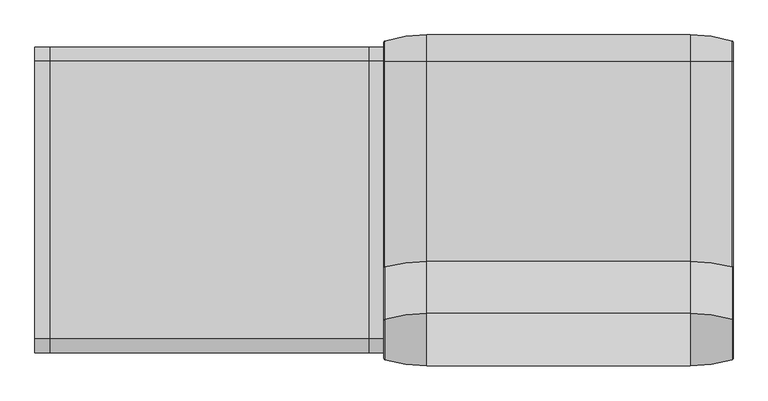
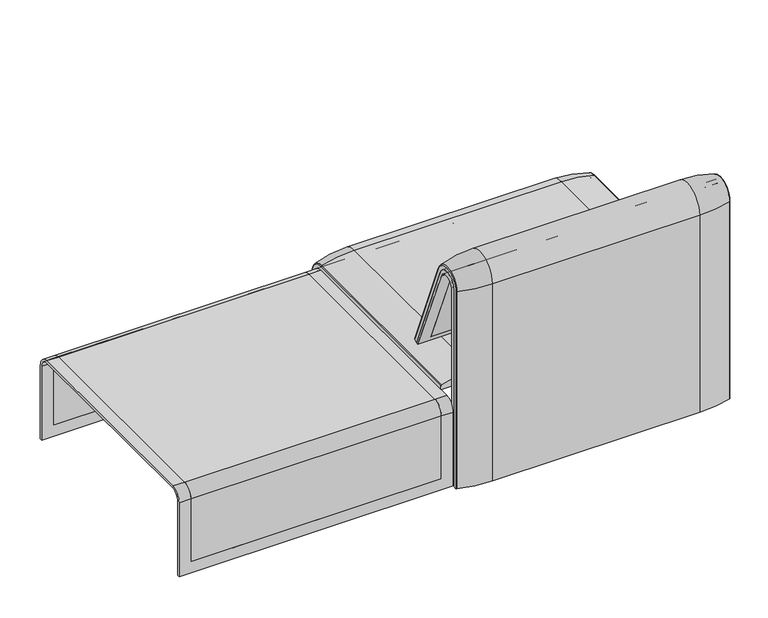
"""IFC4 building model written with IfcOpenShell, lengths in millimetres: furniture geometry."""

from ifc_helpers import new_model, si_unit, point, frame, frame_2d, origin, place, context, project, spatial, polyline, circle_curve, ellipse_curve, trimmed, segment, composite_curve, outline, extrude, source, transform, mapped, element, save
from ifc_brep_helpers import plane_surface, cylinder_surface, revolved_surface, advanced_brep


def furniture_b521a443(model_context):
    return source(origin(), model_context, "Body", "SolidModel", [
        advanced_brep(
        [(-407.9906244, 368.7793679, 100.5089435), (-405.8519959, 371.6530483, 100.5089435), (-307.9906244, 386.0043559, 100.5089435), (307.9906244, 386.0043559, 100.5089435), (405.8519959, 371.6530483, 100.5089435), (407.9906244, 368.7793679, 100.5089435), (407.9906244, 357.5, 100.5089435), (-407.9906244, 357.5, 100.5089435), (-407.9906244, -295.0, 377.4518019), (-407.9906244, -295.0, 366.172434), (407.9906244, -295.0, 366.172434), (407.9906244, -295.0, 377.4518019), (405.8519959, -295.0, 380.3254823), (307.9906244, -295.0, 394.67679), (-307.9906244, -295.0, 394.67679), (-405.8519959, -295.0, 380.3254823), (-407.9906244, 357.5, 333.0583003), (-407.9906244, 324.3858663, 366.172434), (-407.9906244, 324.3858663, 377.4518019), (-407.9906244, 368.7793679, 333.0583003), (407.9906244, 357.5, 333.0583003), (-307.9906244, 386.0043559, 333.0583003), (307.9906244, 386.0043559, 333.0583003), (-405.8519959, 371.6530483, 333.0583003), (407.9906244, 324.3858663, 366.172434), (-307.9906244, 324.3858663, 394.67679), (307.9906244, 324.3858663, 394.67679), (-405.8519959, 324.3858663, 380.3254823), (407.9906244, 368.7793679, 333.0583003), (407.9906244, 324.3858663, 377.4518019), (405.8519959, 371.6530483, 333.0583003), (405.8519959, 324.3858663, 380.3254823)],
        [
            (0, 1, circle_curve(frame((-404.9906244, 368.7793679, 100.5089435), z_axis=(0.0, 0.0, -1.0), x_axis=(1.0, 0.0, 0.0)), 3.0)),
            (1, 2, circle_curve(frame((-307.9906244, 45.1710226, 100.5089435), z_axis=(0.0, 0.0, -1.0), x_axis=(0.0, -1.0, 0.0)), 340.8333333)),
            (2, 3),
            (3, 4, circle_curve(frame((307.9906244, 45.1710226, 100.5089435), z_axis=(0.0, 0.0, -1.0), x_axis=(0.0, -1.0, 0.0)), 340.8333333)),
            (4, 5, circle_curve(frame((404.9906244, 368.7793679, 100.5089435), z_axis=(0.0, 0.0, -1.0), x_axis=(-1.0, 0.0, 0.0)), 3.0)),
            (5, 6),
            (6, 7),
            (7, 0),
            (8, 9),
            (9, 10),
            (10, 11),
            (11, 12, circle_curve(frame((404.9906244, -295.0, 377.4518019), z_axis=(0.0, -1.0, 0.0), x_axis=(-1.0, 0.0, 0.0)), 3.0)),
            (12, 13, circle_curve(frame((307.9906244, -295.0, 53.8434566), z_axis=(0.0, -1.0, 0.0), x_axis=(0.0, 0.0, -1.0)), 340.8333333)),
            (13, 14),
            (14, 15, circle_curve(frame((-307.9906244, -295.0, 53.8434566), z_axis=(0.0, -1.0, 0.0), x_axis=(0.0, 0.0, -1.0)), 340.8333333)),
            (15, 8, circle_curve(frame((-404.9906244, -295.0, 377.4518019), z_axis=(0.0, -1.0, 0.0), x_axis=(1.0, 0.0, 0.0)), 3.0)),
            (7, 16),
            (16, 17, circle_curve(frame((-407.9906244, 324.3858663, 333.0583003), z_axis=(1.0, 0.0, 0.0), x_axis=(0.0, 1.0, 0.0)), 33.1141337)),
            (17, 9),
            (8, 18),
            (18, 19, circle_curve(frame((-407.9906244, 324.3858663, 333.0583003), z_axis=(-1.0, 0.0, 0.0), x_axis=(0.0, 1.0, 0.0)), 44.3935016)),
            (19, 0),
            (6, 20),
            (20, 16),
            (2, 21),
            (21, 22),
            (22, 3),
            (1, 23),
            (23, 21, circle_curve(frame((-307.9906244, 45.1710226, 333.0583003), z_axis=(0.0, 0.0, -1.0), x_axis=(0.0, -1.0, 0.0)), 340.8333333)),
            (19, 23, circle_curve(frame((-404.9906244, 368.7793679, 333.0583003), z_axis=(0.0, 0.0, -1.0), x_axis=(1.0, 0.0, 0.0)), 3.0)),
            (24, 17),
            (20, 24, circle_curve(frame((407.9906244, 324.3858663, 333.0583003), z_axis=(1.0, 0.0, 0.0), x_axis=(0.0, 1.0, 0.0)), 33.1141337)),
            (25, 26),
            (26, 22, circle_curve(frame((307.9906244, 324.3858663, 333.0583003), z_axis=(-1.0, 0.0, 0.0), x_axis=(0.0, 1.0, 0.0)), 61.6184897)),
            (21, 25, circle_curve(frame((-307.9906244, 324.3858663, 333.0583003), z_axis=(1.0, 0.0, 0.0), x_axis=(0.0, 1.0, 0.0)), 61.6184897)),
            (27, 25, circle_curve(frame((-307.9906244, 324.3858663, 53.8434566), z_axis=(0.0, 1.0, 0.0), x_axis=(0.0, 0.0, -1.0)), 340.8333333)),
            (23, 27, circle_curve(frame((-405.8519959, 324.3858663, 333.0583003), z_axis=(1.0, 0.0, 0.0), x_axis=(0.0, 1.0, 0.0)), 47.267182)),
            (18, 27, circle_curve(frame((-404.9906244, 324.3858663, 377.4518019), z_axis=(0.0, 1.0, 0.0), x_axis=(1.0, 0.0, 0.0)), 3.0)),
            (24, 10),
            (25, 14),
            (13, 26),
            (27, 15),
            (5, 28),
            (28, 29, circle_curve(frame((407.9906244, 324.3858663, 333.0583003), z_axis=(1.0, 0.0, 0.0), x_axis=(0.0, 1.0, 0.0)), 44.3935016)),
            (29, 11),
            (4, 30),
            (30, 28, circle_curve(frame((404.9906244, 368.7793679, 333.0583003), z_axis=(0.0, 0.0, -1.0), x_axis=(-1.0, 0.0, 0.0)), 3.0)),
            (22, 30, circle_curve(frame((307.9906244, 45.1710226, 333.0583003), z_axis=(0.0, 0.0, -1.0), x_axis=(0.0, -1.0, 0.0)), 340.8333333)),
            (31, 29, circle_curve(frame((404.9906244, 324.3858663, 377.4518019), z_axis=(0.0, 1.0, 0.0), x_axis=(-1.0, 0.0, 0.0)), 3.0)),
            (30, 31, circle_curve(frame((405.8519959, 324.3858663, 333.0583003), z_axis=(1.0, 0.0, 0.0), x_axis=(0.0, 1.0, 0.0)), 47.267182)),
            (26, 31, circle_curve(frame((307.9906244, 324.3858663, 53.8434566), z_axis=(0.0, 1.0, 0.0), x_axis=(0.0, 0.0, -1.0)), 340.8333333)),
            (31, 12),
        ],
        [
            plane_surface(frame((-407.9906244, 357.5, 100.5089435), z_axis=(0.0, 0.0, -1.0), x_axis=(1.0, 0.0, 0.0))),
            plane_surface(frame((-407.9906244, -295.0, 366.172434), z_axis=(0.0, -1.0, 0.0), x_axis=(1.0, 0.0, 0.0))),
            plane_surface(frame((-407.9906244, 368.7793679, 100.5089435), z_axis=(-1.0, 0.0, 0.0), x_axis=(0.0, 0.0, 1.0))),
            plane_surface(frame((-407.9906244, 357.5, 100.5089435), z_axis=(0.0, -1.0, 0.0), x_axis=(0.0, 0.0, 1.0))),
            plane_surface(frame((307.9906244, 386.0043559, 100.5089435), z_axis=(0.0, 1.0, 0.0), x_axis=(0.0, 0.0, 1.0))),
            cylinder_surface(frame((-307.9906244, 45.1710226, 100.5089435), z_axis=(0.0, 0.0, -1.0), x_axis=(0.0, -1.0, 0.0)), 340.8333333),
            cylinder_surface(frame((-404.9906244, 368.7793679, 100.5089435), z_axis=(0.0, 0.0, -1.0), x_axis=(1.0, 0.0, 0.0)), 3.0),
            revolved_surface(polyline([(-407.9906244, 357.5, 333.0583003), (407.9906244, 357.5, 333.0583003)]), (-407.9906244, 324.3858663, 333.0583003), (-1.0, 0.0, 0.0)),
            cylinder_surface(frame((-407.9906244, 324.3858663, 333.0583003), z_axis=(-1.0, 0.0, 0.0), x_axis=(0.0, 1.0, 0.0)), 61.6184897),
            revolved_surface(trimmed(ellipse_curve(frame((-307.9906244, 45.1710226, 333.0583003), z_axis=(0.0, 0.0, 1.0), x_axis=(0.0, -1.0, 0.0)), 340.8333333, 340.8333333), [point((-307.9906244, 386.0043559, 333.0583003))], [point((-405.8519959, 371.6530483, 333.0583003))], True, "CARTESIAN"), (-407.9906244, 324.3858663, 333.0583003), (-1.0, 0.0, 0.0)),
            revolved_surface(trimmed(ellipse_curve(frame((-404.9906244, 368.7793679, 333.0583003), z_axis=(0.0, 0.0, 1.0), x_axis=(1.0, 0.0, 0.0)), 3.0, 3.0), [point((-405.8519959, 371.6530483, 333.0583003))], [point((-407.9906244, 368.7793679, 333.0583003))], True, "CARTESIAN"), (-407.9906244, 324.3858663, 333.0583003), (-1.0, 0.0, 0.0)),
            plane_surface(frame((-407.9906244, 324.3858663, 366.172434), z_axis=(0.0, 0.0, -1.0), x_axis=(0.0, -1.0, 0.0))),
            plane_surface(frame((307.9906244, 324.3858663, 394.67679), z_axis=(0.0, 0.0, 1.0), x_axis=(0.0, -1.0, 0.0))),
            cylinder_surface(frame((-307.9906244, 324.3858663, 53.8434566), z_axis=(0.0, 1.0, 0.0), x_axis=(0.0, 0.0, -1.0)), 340.8333333),
            cylinder_surface(frame((-404.9906244, 324.3858663, 377.4518019), z_axis=(0.0, 1.0, 0.0), x_axis=(1.0, 0.0, 0.0)), 3.0),
            plane_surface(frame((407.9906244, 357.5, 100.5089435), z_axis=(1.0, 0.0, 0.0), x_axis=(0.0, 0.0, 1.0))),
            cylinder_surface(frame((404.9906244, 368.7793679, 100.5089435), z_axis=(0.0, 0.0, -1.0), x_axis=(-1.0, 0.0, 0.0)), 3.0),
            cylinder_surface(frame((307.9906244, 45.1710226, 100.5089435), z_axis=(0.0, 0.0, -1.0), x_axis=(0.0, -1.0, 0.0)), 340.8333333),
            revolved_surface(trimmed(ellipse_curve(frame((404.9906244, 368.7793679, 333.0583003), z_axis=(0.0, 0.0, 1.0), x_axis=(-1.0, 0.0, 0.0)), 3.0, 3.0), [point((407.9906244, 368.7793679, 333.0583003))], [point((405.8519959, 371.6530483, 333.0583003))], True, "CARTESIAN"), (-407.9906244, 324.3858663, 333.0583003), (-1.0, 0.0, 0.0)),
            revolved_surface(trimmed(ellipse_curve(frame((307.9906244, 45.1710226, 333.0583003), z_axis=(0.0, 0.0, 1.0), x_axis=(0.0, -1.0, 0.0)), 340.8333333, 340.8333333), [point((405.8519959, 371.6530483, 333.0583003))], [point((307.9906244, 386.0043559, 333.0583003))], True, "CARTESIAN"), (-407.9906244, 324.3858663, 333.0583003), (-1.0, 0.0, 0.0)),
            cylinder_surface(frame((404.9906244, 324.3858663, 377.4518019), z_axis=(0.0, 1.0, 0.0), x_axis=(-1.0, 0.0, 0.0)), 3.0),
            cylinder_surface(frame((307.9906244, 324.3858663, 53.8434566), z_axis=(0.0, 1.0, 0.0), x_axis=(0.0, 0.0, -1.0)), 340.8333333),
        ],
        [
            (0, [[1, 2, 3, 4, 5, 6, 7, 8]]),
            (1, [[9, 10, 11, 12, 13, 14, 15, 16]]),
            (2, [[17, 18, 19, -9, 20, 21, 22, -8]]),
            (3, [[23, 24, -17, -7]]),
            (4, [[25, 26, 27, -3]]),
            (5, [[28, 29, -25, -2]]),
            (6, [[-22, 30, -28, -1]]),
            (7, [[31, -18, -24, 32]]),
            (8, [[33, 34, -26, 35]]),
            (9, [[36, -35, -29, 37]]),
            (10, [[38, -37, -30, -21]]),
            (11, [[39, -10, -19, -31]]),
            (12, [[40, -14, 41, -33]]),
            (13, [[42, -15, -40, -36]]),
            (14, [[-20, -16, -42, -38]]),
            (15, [[43, 44, 45, -11, -39, -32, -23, -6]]),
            (16, [[46, 47, -43, -5]]),
            (17, [[-27, 48, -46, -4]]),
            (18, [[49, -44, -47, 50]]),
            (19, [[51, -50, -48, -34]]),
            (20, [[52, -12, -45, -49]]),
            (21, [[-41, -13, -52, -51]]),
        ],
    ),
        advanced_brep(
        [(408.0071685, -351.0000061, 101.8476716), (408.0071685, -351.0000061, 712.9272623), (408.0071685, -296.2720241, 723.9759107), (408.0071685, -175.0204081, 435.9866665), (408.0071685, -170.1966807, 437.98305), (408.0071685, -292.4403877, 733.7122262), (408.0071685, -359.7858817, 720.3417731), (408.0071685, -359.7858817, 101.8476716), (-407.9740803, -351.0000061, 101.8476716), (-407.9740803, -359.7858817, 101.8476716), (-407.9740803, -359.7858817, 720.3417731), (-407.9740803, -292.4403877, 733.7122262), (-407.9740803, -170.1966807, 437.98305), (-407.9740803, -175.0204081, 435.9866665), (-407.9740803, -296.2458652, 723.9869215), (-407.9740803, -351.0000061, 712.9272623), (-373.0906244, -292.4403877, 733.7122262), (-373.0906244, -176.0980387, 452.25948), (373.0906244, -176.0980387, 452.25948), (373.0906244, -292.4403877, 733.7122262), (373.0906244, -296.2458652, 723.9869215), (373.0906244, -181.0136548, 450.2250668), (-373.0906244, -181.0136548, 450.2250668), (-373.0906244, -296.2458652, 723.9869215), (-373.0906244, -351.0000061, 712.9272623), (-373.0906244, -351.0000061, 135.3766997), (373.0906244, -351.0000061, 135.3766997), (373.0906244, -351.0000061, 712.9272623), (373.0906244, -359.7858817, 720.3417731), (373.0906244, -359.7858817, 135.3766997), (-373.0906244, -359.7858817, 135.3766997), (-373.0906244, -359.7858817, 720.3417731)],
        [
            (0, 1),
            (1, 2, circle_curve(frame((408.0071685, -322.520748, 712.9272623), z_axis=(-1.0, 0.0, 0.0), x_axis=(0.0, 1.0, 0.0)), 28.479258)),
            (2, 3),
            (3, 4),
            (4, 5),
            (5, 6, circle_curve(frame((408.0071685, -324.7858817, 720.3417731), z_axis=(1.0, 0.0, 0.0), x_axis=(0.0, 1.0, 0.0)), 35.0)),
            (6, 7),
            (7, 0),
            (8, 9),
            (9, 10),
            (10, 11, circle_curve(frame((-407.9740803, -324.7858817, 720.3417731), z_axis=(-1.0, 0.0, 0.0), x_axis=(0.0, 1.0, 0.0)), 35.0)),
            (11, 12),
            (12, 13),
            (13, 14),
            (14, 15, circle_curve(frame((-407.9740803, -322.520748, 712.9272623), z_axis=(1.0, 0.0, 0.0), x_axis=(0.0, 1.0, 0.0)), 28.479258)),
            (15, 8),
            (4, 12),
            (11, 16),
            (16, 17),
            (17, 18),
            (18, 19),
            (19, 5),
            (3, 13),
            (2, 20),
            (20, 21),
            (21, 22),
            (22, 23),
            (23, 14),
            (0, 8),
            (15, 24),
            (24, 25),
            (25, 26),
            (26, 27),
            (27, 1),
            (7, 9),
            (6, 28),
            (28, 29),
            (29, 30),
            (30, 31),
            (31, 10),
            (19, 28, circle_curve(frame((373.0906244, -324.7858817, 720.3417731), z_axis=(1.0, 0.0, 0.0), x_axis=(0.0, 1.0, 0.0)), 35.0)),
            (31, 16, circle_curve(frame((-373.0906244, -324.7858817, 720.3417731), z_axis=(-1.0, 0.0, 0.0), x_axis=(0.0, 1.0, 0.0)), 35.0)),
            (27, 20, circle_curve(frame((373.0906244, -322.520748, 712.9272623), z_axis=(-1.0, 0.0, 0.0), x_axis=(0.0, 1.0, 0.0)), 28.479258)),
            (23, 24, circle_curve(frame((-373.0906244, -322.520748, 712.9272623), z_axis=(1.0, 0.0, 0.0), x_axis=(0.0, 1.0, 0.0)), 28.479258)),
            (26, 29),
            (18, 21),
            (22, 17),
            (30, 25),
        ],
        [
            plane_surface(frame((408.0071685, -359.7858817, 101.8476716), z_axis=(1.0, 0.0, 0.0), x_axis=(0.0, -1.0, 0.0))),
            plane_surface(frame((-407.9740803, -359.7858817, 101.8476716), z_axis=(-1.0, 0.0, 0.0), x_axis=(0.0, 1.0, 0.0))),
            plane_surface(frame((408.0071685, -292.4403877, 733.7122262), z_axis=(0.0, 0.9241569717933176, 0.3820129467515535), x_axis=(-1.0, 0.0, 0.0))),
            plane_surface(frame((408.0071685, -170.1966807, 437.98305), z_axis=(0.0, 0.38241039441983893, -0.9239925812687368), x_axis=(-1.0, 0.0, 0.0))),
            plane_surface(frame((408.0071685, -175.0204081, 435.9866665), z_axis=(0.0, -0.921678643444566, -0.3879542218073993), x_axis=(-1.0, 0.0, 0.0))),
            plane_surface(frame((408.0071685, -351.0000061, 712.9272623), z_axis=(0.0, 1.0, 0.0), x_axis=(-1.0, 0.0, 0.0))),
            plane_surface(frame((408.0071685, -351.0000061, 101.8476716), z_axis=(0.0, 0.0, -1.0), x_axis=(-1.0, 0.0, 0.0))),
            plane_surface(frame((408.0071685, -359.7858817, 101.8476716), z_axis=(0.0, -1.0, 0.0), x_axis=(-1.0, 0.0, 0.0))),
            cylinder_surface(frame((-407.9740803, -324.7858817, 720.3417731), z_axis=(1.0, 0.0, 0.0), x_axis=(0.0, 1.0, 0.0)), 35.0),
            revolved_surface(polyline([(373.09062439999997, -294.04149, 712.9272623), (408.0071685, -294.04149, 712.9272623)]), (-407.9740803, -322.520748, 712.9272623), (-1.0, 0.0, 0.0)),
            revolved_surface(polyline([(-407.9740803, -294.04149, 712.9272623), (-373.0906244, -294.04149, 712.9272623)]), (-407.9740803, -322.520748, 712.9272623), (-1.0, 0.0, 0.0)),
            plane_surface(frame((373.0906244, -359.7858817, 135.3766997), z_axis=(-1.0, 0.0, 0.0), x_axis=(0.0, -1.0, 0.0))),
            plane_surface(frame((-373.0906244, -359.7858817, 135.3766997), z_axis=(1.0, 0.0, 0.0), x_axis=(0.0, 1.0, 0.0))),
            plane_surface(frame((373.0906244, -166.9120641, 456.0612553), z_axis=(0.0, -0.38241039441982605, 0.9239925812687422), x_axis=(-1.0, 0.0, 0.0))),
            plane_surface(frame((373.0906244, -344.7858817, 135.3766997), z_axis=(0.0, 0.0, 1.0), x_axis=(-1.0, 0.0, 0.0))),
        ],
        [
            (0, [[1, 2, 3, 4, 5, 6, 7, 8]]),
            (1, [[9, 10, 11, 12, 13, 14, 15, 16]]),
            (2, [[17, -12, 18, 19, 20, 21, 22, -5]]),
            (3, [[23, -13, -17, -4]]),
            (4, [[24, 25, 26, 27, 28, -14, -23, -3]]),
            (5, [[29, -16, 30, 31, 32, 33, 34, -1]]),
            (6, [[35, -9, -29, -8]]),
            (7, [[36, 37, 38, 39, 40, -10, -35, -7]]),
            (8, [[-22, 41, -36, -6]]),
            (8, [[-40, 42, -18, -11]]),
            (9, [[-34, 43, -24, -2]]),
            (10, [[-28, 44, -30, -15]]),
            (11, [[-25, -43, -33, 45, -37, -41, -21, 46]]),
            (12, [[-31, -44, -27, 47, -19, -42, -39, 48]]),
            (13, [[-20, -47, -26, -46]]),
            (14, [[-32, -48, -38, -45]]),
        ],
    ),
        advanced_brep(
        [(373.0906244, -351.0000061, 135.3766997), (373.0906244, -351.0000061, 712.9272623), (373.0906244, -296.2720241, 723.9759107), (373.0906244, -181.0136548, 450.2250668), (373.0906244, -176.0980387, 452.25948), (373.0906244, -292.4403877, 733.7122262), (373.0906244, -359.7858817, 720.3417731), (373.0906244, -359.7858817, 135.3766997), (-373.0906244, -351.0000061, 135.3766997), (-373.0906244, -359.7858817, 135.3766997), (-373.0906244, -359.7858817, 720.3417731), (-373.0906244, -292.4403877, 733.7122262), (-373.0906244, -176.0980387, 452.25948), (-373.0906244, -181.0136548, 450.2250668), (-373.0906244, -296.2458652, 723.9869215), (-373.0906244, -351.0000061, 712.9272623)],
        [
            (0, 1),
            (1, 2, circle_curve(frame((373.0906244, -322.520748, 712.9272623), z_axis=(-1.0, 0.0, 0.0), x_axis=(0.0, 1.0, 0.0)), 28.479258)),
            (2, 3),
            (3, 4),
            (4, 5),
            (5, 6, circle_curve(frame((373.0906244, -324.7858817, 720.3417731), z_axis=(1.0, 0.0, 0.0), x_axis=(0.0, 1.0, 0.0)), 35.0)),
            (6, 7),
            (7, 0),
            (8, 9),
            (9, 10),
            (10, 11, circle_curve(frame((-373.0906244, -324.7858817, 720.3417731), z_axis=(-1.0, 0.0, 0.0), x_axis=(0.0, 1.0, 0.0)), 35.0)),
            (11, 12),
            (12, 13),
            (13, 14),
            (14, 15, circle_curve(frame((-373.0906244, -322.520748, 712.9272623), z_axis=(1.0, 0.0, 0.0), x_axis=(0.0, 1.0, 0.0)), 28.479258)),
            (15, 8),
            (4, 12),
            (11, 5),
            (3, 13),
            (2, 14),
            (0, 8),
            (15, 1),
            (7, 9),
            (6, 10),
        ],
        [
            plane_surface(frame((373.0906244, -359.7858817, 135.3766997), z_axis=(1.0, 0.0, 0.0), x_axis=(0.0, -1.0, 0.0))),
            plane_surface(frame((-373.0906244, -359.7858817, 135.3766997), z_axis=(-1.0, 0.0, 0.0), x_axis=(0.0, 1.0, 0.0))),
            plane_surface(frame((373.0906244, -292.4403877, 733.7122262), z_axis=(0.0, 0.9241569717933176, 0.3820129467515535), x_axis=(-1.0, 0.0, 0.0))),
            plane_surface(frame((373.0906244, -176.0980387, 452.25948), z_axis=(0.0, 0.38241039441982716, -0.9239925812687417), x_axis=(-1.0, 0.0, 0.0))),
            plane_surface(frame((373.0906244, -181.0136548, 450.2250668), z_axis=(0.0, -0.921678643444566, -0.3879542218073993), x_axis=(-1.0, 0.0, 0.0))),
            plane_surface(frame((373.0906244, -351.0000061, 712.9272623), z_axis=(0.0, 1.0, 0.0), x_axis=(-1.0, 0.0, 0.0))),
            plane_surface(frame((373.0906244, -351.0000061, 135.3766997), z_axis=(0.0, 0.0, -1.0), x_axis=(-1.0, 0.0, 0.0))),
            plane_surface(frame((373.0906244, -359.7858817, 135.3766997), z_axis=(0.0, -1.0, 0.0), x_axis=(-1.0, 0.0, 0.0))),
            cylinder_surface(frame((-373.0906244, -324.7858817, 720.3417731), z_axis=(1.0, 0.0, 0.0), x_axis=(0.0, 1.0, 0.0)), 35.0),
            revolved_surface(polyline([(-373.0906244, -294.04149, 712.9272623), (373.0906244, -294.04149, 712.9272623)]), (-373.0906244, -322.520748, 712.9272623), (-1.0, 0.0, 0.0)),
        ],
        [
            (0, [[1, 2, 3, 4, 5, 6, 7, 8]]),
            (1, [[9, 10, 11, 12, 13, 14, 15, 16]]),
            (2, [[17, -12, 18, -5]]),
            (3, [[19, -13, -17, -4]]),
            (4, [[20, -14, -19, -3]]),
            (5, [[21, -16, 22, -1]]),
            (6, [[23, -9, -21, -8]]),
            (7, [[24, -10, -23, -7]]),
            (8, [[-18, -11, -24, -6]]),
            (9, [[-22, -15, -20, -2]]),
        ],
    ),
        extrude(outline(composite_curve([segment(polyline([(-305.0000061, 349.9223263), (-285.0000061, 349.9223263)]), True, "CONTINUOUS"), segment(trimmed(circle_curve(frame_2d((-285.0000061, 359.9223263)), 10.0), [point((-285.0000061, 349.9223263))], [point((-275.0000061, 359.9223263))], True, "CARTESIAN"), True, "CONTINUOUS"), segment(polyline([(-275.0000061, 359.9223263), (-270.0000061, 359.9223263), (-270.0000061, 299.9223263), (-309.4476, 299.9223263)]), True, "CONTINUOUS"), segment(trimmed(circle_curve(frame_2d((-309.4476, 269.9223263)), 30.0), [point((-309.4476, 299.9223263))], [point((-339.4064861, 271.492405))], True, "CARTESIAN"), True, "CONTINUOUS"), segment(polyline([(-339.4064861, 271.492405), (-343.3075759, 197.0551771), (-351.0000061, 197.0551771), (-351.0000061, 712.9272623)]), True, "CONTINUOUS"), segment(trimmed(circle_curve(frame_2d((-322.520748, 712.9272623)), 28.479258), [point((-351.0000061, 712.9272623))], [point((-296.3054528, 724.0549949))], False, "CARTESIAN"), True, "CONTINUOUS"), segment(polyline([(-296.3054528, 724.0549949), (-213.7507451, 529.5682915), (-222.2725218, 526.5505721), (-238.0355877, 560.3545758)]), True, "CONTINUOUS"), segment(trimmed(circle_curve(frame_2d((-251.6302045, 554.0153019)), 15.0), [point((-238.0355877, 560.3545758))], [point((-257.4911714, 567.8228747))], True, "CARTESIAN"), True, "CONTINUOUS"), segment(polyline([(-257.4911714, 567.8228747), (-316.7219399, 542.6809051)]), True, "CONTINUOUS"), segment(trimmed(circle_curve(frame_2d((-305.0000061, 515.0657595)), 30.0), [point((-316.7219399, 542.6809051))], [point((-335.0000061, 515.0657595))], True, "CARTESIAN"), True, "CONTINUOUS"), segment(polyline([(-335.0000061, 515.0657595), (-335.0000061, 379.9223263)]), True, "CONTINUOUS"), segment(trimmed(circle_curve(frame_2d((-305.0000061, 379.9223263)), 30.0), [point((-335.0000061, 379.9223263))], [point((-305.0000061, 349.9223263))], True, "CARTESIAN"), True, "CONTINUOUS")], self_intersect=False), holes=[composite_curve([segment(trimmed(circle_curve(frame_2d((-319.9867182, 576.3274105)), 17.5132879), [point((-337.5000061, 576.3274105))], [point((-314.1406626, 559.8186587))], True, "CARTESIAN"), True, "CONTINUOUS"), segment(polyline([(-314.1406626, 559.8186587), (-265.0756376, 577.1934953)]), True, "CONTINUOUS"), segment(trimmed(circle_curve(frame_2d((-271.7517748, 596.0463251)), 20.0), [point((-265.0756376, 577.1934953))], [point((-253.6256191, 604.4986904))], True, "CARTESIAN"), True, "CONTINUOUS"), segment(polyline([(-253.6256191, 604.4986904), (-308.9053893, 723.0465402)]), True, "CONTINUOUS"), segment(trimmed(circle_curve(frame_2d((-322.5000061, 716.7072663)), 15.0), [point((-308.9053893, 723.0465402))], [point((-337.5000061, 716.7072663))], True, "CARTESIAN"), True, "CONTINUOUS"), segment(polyline([(-337.5000061, 716.7072663), (-337.5000061, 576.3274105)]), True, "CONTINUOUS")], self_intersect=False)]), frame((244.9947968, 0.0, 0.0), z_axis=(1.0, 0.0, 0.0), x_axis=(0.0, 1.0, 0.0)), (0.0, 0.0, 1.0), 40.0),
        advanced_brep(
        [(308.0071685, -388.2902376, 100.5089435), (-308.0071685, -388.2902376, 100.5089435), (-405.86854, -373.93893, 100.5089435), (-408.0071685, -371.0652495, 100.5089435), (-408.0071685, -359.7858817, 100.5089435), (408.0071685, -359.7858817, 100.5089435), (408.0071685, -371.0652495, 100.5089435), (405.86854, -373.93893, 100.5089435), (308.0071685, -388.2902376, 720.3417731), (-308.0071685, -388.2902376, 720.3417731), (405.86854, -373.93893, 720.3417731), (408.0071685, -371.0652495, 720.3417731), (408.0071685, -359.7858817, 720.3417731), (408.0071685, -292.4403877, 733.7122262), (408.0071685, -170.1962447, 437.9819952), (408.0071685, -159.7723383, 442.2908598), (408.0071685, -282.0164812, 738.0210907), (-408.0071685, -359.7858817, 720.3417731), (308.0071685, -143.8537454, 448.8710282), (405.86854, -157.1166065, 443.3886429), (-408.0071685, -170.1962447, 437.9819952), (-408.0071685, -159.7723383, 442.2908598), (-405.86854, -157.1166065, 443.3886429), (-308.0071685, -143.8537454, 448.8710282), (308.0071685, -266.0978884, 744.6012592), (-308.0071685, -266.0978884, 744.6012592), (405.86854, -279.3607494, 739.1188739), (-408.0071685, -292.4403877, 733.7122262), (-408.0071685, -371.0652495, 720.3417731), (-408.0071685, -282.0164812, 738.0210907), (-405.86854, -373.93893, 720.3417731), (-405.86854, -279.3607494, 739.1188739)],
        [
            (0, 1),
            (1, 2, circle_curve(frame((-308.0071685, -47.4569043, 100.5089435), z_axis=(0.0, 0.0, -1.0), x_axis=(0.0, 1.0, 0.0)), 340.8333333)),
            (2, 3, circle_curve(frame((-405.0071685, -371.0652495, 100.5089435), z_axis=(0.0, 0.0, -1.0), x_axis=(-1.0, 0.0, 0.0)), 3.0)),
            (3, 4),
            (4, 5),
            (5, 6),
            (6, 7, circle_curve(frame((405.0071685, -371.0652495, 100.5089435), z_axis=(0.0, 0.0, -1.0), x_axis=(1.0, 0.0, 0.0)), 3.0)),
            (7, 0, circle_curve(frame((308.0071685, -47.4569043, 100.5089435), z_axis=(0.0, 0.0, -1.0), x_axis=(0.0, 1.0, 0.0)), 340.8333333)),
            (0, 8),
            (8, 9),
            (9, 1),
            (7, 10),
            (10, 8, circle_curve(frame((308.0071685, -47.4569043, 720.3417731), z_axis=(0.0, 0.0, -1.0), x_axis=(0.0, 1.0, 0.0)), 340.8333333)),
            (6, 11),
            (11, 10, circle_curve(frame((405.0071685, -371.0652495, 720.3417731), z_axis=(0.0, 0.0, -1.0), x_axis=(1.0, 0.0, 0.0)), 3.0)),
            (5, 12),
            (12, 13, circle_curve(frame((408.0071685, -324.7858817, 720.3417731), z_axis=(-1.0, 0.0, 0.0), x_axis=(0.0, -1.0, 0.0)), 35.0)),
            (13, 14),
            (14, 15),
            (15, 16),
            (16, 11, circle_curve(frame((408.0071685, -324.7858817, 720.3417731), z_axis=(1.0, 0.0, 0.0), x_axis=(0.0, -1.0, 0.0)), 46.2793679)),
            (4, 17),
            (17, 12),
            (18, 19, circle_curve(frame((308.0071685, -458.8372467, 318.6682822), z_axis=(0.0, 0.38201294675155345, -0.9241569717933176), x_axis=(0.0, -0.9241569717933176, -0.38201294675155345)), 340.8333333)),
            (19, 15, circle_curve(frame((405.0071685, -159.7723383, 442.2908598), z_axis=(0.0, 0.38201294675155345, -0.9241569717933176), x_axis=(1.0, 0.0, 0.0)), 3.0)),
            (14, 20),
            (20, 21),
            (21, 22, circle_curve(frame((-405.0071685, -159.7723383, 442.2908598), z_axis=(0.0, 0.38201294675155345, -0.9241569717933176), x_axis=(-1.0, 0.0, 0.0)), 3.0)),
            (22, 23, circle_curve(frame((-308.0071685, -458.8372467, 318.6682822), z_axis=(0.0, 0.38201294675155345, -0.9241569717933176), x_axis=(0.0, -0.9241569717933176, -0.38201294675155345)), 340.8333333)),
            (23, 18),
            (24, 25),
            (25, 9, circle_curve(frame((-308.0071685, -324.7858817, 720.3417731), z_axis=(1.0, 0.0, 0.0), x_axis=(0.0, -1.0, 0.0)), 63.5043559)),
            (8, 24, circle_curve(frame((308.0071685, -324.7858817, 720.3417731), z_axis=(-1.0, 0.0, 0.0), x_axis=(0.0, -1.0, 0.0)), 63.5043559)),
            (26, 24, circle_curve(frame((308.0071685, -581.0813896, 614.3985132), z_axis=(0.0, -0.3820129467515544, 0.9241569717933172), x_axis=(0.0, -0.9241569717933172, -0.3820129467515544)), 340.8333333)),
            (10, 26, circle_curve(frame((405.86854, -324.7858817, 720.3417731), z_axis=(-1.0, 0.0, 0.0), x_axis=(0.0, -1.0, 0.0)), 49.1530483)),
            (16, 26, circle_curve(frame((405.0071685, -282.0164812, 738.0210907), z_axis=(0.0, -0.38201294675155356, 0.9241569717933176), x_axis=(1.0, 0.0, 0.0)), 3.0)),
            (27, 13),
            (17, 27, circle_curve(frame((-408.0071685, -324.7858817, 720.3417731), z_axis=(-1.0, 0.0, 0.0), x_axis=(0.0, -1.0, 0.0)), 35.0)),
            (24, 18),
            (23, 25),
            (26, 19),
            (27, 20),
            (3, 28),
            (28, 29, circle_curve(frame((-408.0071685, -324.7858817, 720.3417731), z_axis=(-1.0, 0.0, 0.0), x_axis=(0.0, -1.0, 0.0)), 46.2793679)),
            (29, 21),
            (2, 30),
            (30, 28, circle_curve(frame((-405.0071685, -371.0652495, 720.3417731), z_axis=(0.0, 0.0, -1.0), x_axis=(-1.0, 0.0, 0.0)), 3.0)),
            (9, 30, circle_curve(frame((-308.0071685, -47.4569043, 720.3417731), z_axis=(0.0, 0.0, -1.0), x_axis=(0.0, 1.0, 0.0)), 340.8333333)),
            (31, 29, circle_curve(frame((-405.0071685, -282.0164812, 738.0210907), z_axis=(0.0, -0.3820129467515556, 0.9241569717933167), x_axis=(-1.0, 0.0, 0.0)), 3.0)),
            (30, 31, circle_curve(frame((-405.86854, -324.7858817, 720.3417731), z_axis=(-1.0, 0.0, 0.0), x_axis=(0.0, -1.0, 0.0)), 49.1530483)),
            (25, 31, circle_curve(frame((-308.0071685, -581.0813896, 614.3985132), z_axis=(0.0, -0.382012946751556, 0.9241569717933165), x_axis=(0.0, -0.9241569717933165, -0.382012946751556)), 340.8333333)),
            (31, 22),
        ],
        [
            plane_surface(frame((4.7650232, -359.7858817, 100.5089435), z_axis=(0.0, 0.0, -1.0), x_axis=(1.0, 0.0, 0.0))),
            plane_surface(frame((-308.0071685, -388.2902376, 100.5089435), z_axis=(0.0, -1.0, 0.0), x_axis=(0.0, 0.0, 1.0))),
            cylinder_surface(frame((308.0071685, -47.4569043, 100.5089435), z_axis=(0.0, 0.0, -1.0), x_axis=(0.0, 1.0, 0.0)), 340.8333333),
            cylinder_surface(frame((405.0071685, -371.0652495, 100.5089435), z_axis=(0.0, 0.0, -1.0), x_axis=(1.0, 0.0, 0.0)), 3.0),
            plane_surface(frame((408.0071685, -371.0652495, 100.5089435), z_axis=(1.0, 0.0, 0.0), x_axis=(0.0, 0.0, 1.0))),
            plane_surface(frame((408.0071685, -359.7858817, 100.5089435), z_axis=(0.0, 1.0, 0.0), x_axis=(0.0, 0.0, 1.0))),
            plane_surface(frame((4.7650232, -170.1962447, 437.9819952), z_axis=(0.0, 0.38201294675155345, -0.9241569717933176), x_axis=(1.0, 0.0, 0.0))),
            cylinder_surface(frame((4.7650232, -324.7858817, 720.3417731), z_axis=(1.0, 0.0, 0.0), x_axis=(0.0, -1.0, 0.0)), 63.5043559),
            revolved_surface(trimmed(ellipse_curve(frame((308.0071685, -47.4569043, 720.3417731), z_axis=(0.0, 0.0, 1.0), x_axis=(0.0, 1.0, 0.0)), 340.8333333, 340.8333333), [point((308.0071685, -388.2902376, 720.3417731))], [point((405.86854, -373.93893, 720.3417731))], True, "CARTESIAN"), (4.7650232, -324.7858817, 720.3417731), (1.0, 0.0, 0.0)),
            revolved_surface(trimmed(ellipse_curve(frame((405.0071685, -371.0652495, 720.3417731), z_axis=(0.0, 0.0, 1.0), x_axis=(1.0, 0.0, 0.0)), 3.0, 3.0), [point((405.86854, -373.93893, 720.3417731))], [point((408.0071685, -371.0652495, 720.3417731))], True, "CARTESIAN"), (4.7650232, -324.7858817, 720.3417731), (1.0, 0.0, 0.0)),
            revolved_surface(polyline([(408.0071685, -359.7858817, 720.3417731), (-408.0071685, -359.7858817, 720.3417731)]), (4.7650232, -324.7858817, 720.3417731), (1.0, 0.0, 0.0)),
            plane_surface(frame((-308.0071685, -266.0978884, 744.6012592), z_axis=(0.0, 0.9241569717933176, 0.38201294675155356), x_axis=(0.0, 0.38201294675155356, -0.9241569717933176))),
            cylinder_surface(frame((308.0071685, -581.0813896, 614.3985132), z_axis=(0.0, -0.38201294675155345, 0.9241569717933176), x_axis=(0.0, -0.9241569717933176, -0.38201294675155345)), 340.8333333),
            cylinder_surface(frame((405.0071685, -282.0164812, 738.0210907), z_axis=(0.0, -0.38201294675155345, 0.9241569717933176), x_axis=(1.0, 0.0, 0.0)), 3.0),
            plane_surface(frame((408.0071685, -292.4403877, 733.7122262), z_axis=(0.0, -0.9241569717933176, -0.38201294675155356), x_axis=(0.0, 0.38201294675155356, -0.9241569717933176))),
            plane_surface(frame((-408.0071685, -359.7858817, 100.5089435), z_axis=(-1.0, 0.0, 0.0), x_axis=(0.0, 0.0, 1.0))),
            cylinder_surface(frame((-405.0071685, -371.0652495, 100.5089435), z_axis=(0.0, 0.0, -1.0), x_axis=(-1.0, 0.0, 0.0)), 3.0),
            cylinder_surface(frame((-308.0071685, -47.4569043, 100.5089435), z_axis=(0.0, 0.0, -1.0), x_axis=(0.0, 1.0, 0.0)), 340.8333333),
            revolved_surface(trimmed(ellipse_curve(frame((-405.0071685, -371.0652495, 720.3417731), z_axis=(0.0, 0.0, 1.0), x_axis=(-1.0, 0.0, 0.0)), 3.0, 3.0), [point((-408.0071685, -371.0652495, 720.3417731))], [point((-405.86854, -373.93893, 720.3417731))], True, "CARTESIAN"), (4.7650232, -324.7858817, 720.3417731), (1.0, 0.0, 0.0)),
            revolved_surface(trimmed(ellipse_curve(frame((-308.0071685, -47.4569043, 720.3417731), z_axis=(0.0, 0.0, 1.0), x_axis=(0.0, 1.0, 0.0)), 340.8333333, 340.8333333), [point((-405.86854, -373.93893, 720.3417731))], [point((-308.0071685, -388.2902376, 720.3417731))], True, "CARTESIAN"), (4.7650232, -324.7858817, 720.3417731), (1.0, 0.0, 0.0)),
            cylinder_surface(frame((-405.0071685, -282.0164812, 738.0210907), z_axis=(0.0, -0.38201294675155345, 0.9241569717933176), x_axis=(-1.0, 0.0, 0.0)), 3.0),
            cylinder_surface(frame((-308.0071685, -581.0813896, 614.3985132), z_axis=(0.0, -0.38201294675155345, 0.9241569717933176), x_axis=(0.0, -0.9241569717933176, -0.38201294675155345)), 340.8333333),
        ],
        [
            (0, [[1, 2, 3, 4, 5, 6, 7, 8]]),
            (1, [[9, 10, 11, -1]]),
            (2, [[12, 13, -9, -8]]),
            (3, [[14, 15, -12, -7]]),
            (4, [[16, 17, 18, 19, 20, 21, -14, -6]]),
            (5, [[22, 23, -16, -5]]),
            (6, [[24, 25, -19, 26, 27, 28, 29, 30]]),
            (7, [[31, 32, -10, 33]]),
            (8, [[34, -33, -13, 35]]),
            (9, [[36, -35, -15, -21]]),
            (10, [[37, -17, -23, 38]]),
            (11, [[39, -30, 40, -31]]),
            (12, [[41, -24, -39, -34]]),
            (13, [[-20, -25, -41, -36]]),
            (14, [[42, -26, -18, -37]]),
            (15, [[43, 44, 45, -27, -42, -38, -22, -4]]),
            (16, [[46, 47, -43, -3]]),
            (17, [[-11, 48, -46, -2]]),
            (18, [[49, -44, -47, 50]]),
            (19, [[51, -50, -48, -32]]),
            (20, [[52, -28, -45, -49]]),
            (21, [[-40, -29, -52, -51]]),
        ],
    ),
        extrude(outline(composite_curve([segment(polyline([(-305.0000061, 349.9223263), (-285.0000061, 349.9223263)]), True, "CONTINUOUS"), segment(trimmed(circle_curve(frame_2d((-285.0000061, 359.9223263)), 10.0), [point((-285.0000061, 349.9223263))], [point((-275.0000061, 359.9223263))], True, "CARTESIAN"), True, "CONTINUOUS"), segment(polyline([(-275.0000061, 359.9223263), (-270.0000061, 359.9223263), (-270.0000061, 299.9223263), (-309.4476, 299.9223263)]), True, "CONTINUOUS"), segment(trimmed(circle_curve(frame_2d((-309.4476, 269.9223263)), 30.0), [point((-309.4476, 299.9223263))], [point((-339.4064861, 271.492405))], True, "CARTESIAN"), True, "CONTINUOUS"), segment(polyline([(-339.4064861, 271.492405), (-343.3075759, 197.0551771), (-351.0000061, 197.0551771), (-351.0000061, 712.9272623)]), True, "CONTINUOUS"), segment(trimmed(circle_curve(frame_2d((-322.520748, 712.9272623)), 28.479258), [point((-351.0000061, 712.9272623))], [point((-296.3054528, 724.0549949))], False, "CARTESIAN"), True, "CONTINUOUS"), segment(polyline([(-296.3054528, 724.0549949), (-213.7507451, 529.5682915), (-222.2725218, 526.5505721), (-238.0355877, 560.3545758)]), True, "CONTINUOUS"), segment(trimmed(circle_curve(frame_2d((-251.6302045, 554.0153019)), 15.0), [point((-238.0355877, 560.3545758))], [point((-257.4911714, 567.8228747))], True, "CARTESIAN"), True, "CONTINUOUS"), segment(polyline([(-257.4911714, 567.8228747), (-316.7219399, 542.6809051)]), True, "CONTINUOUS"), segment(trimmed(circle_curve(frame_2d((-305.0000061, 515.0657595)), 30.0), [point((-316.7219399, 542.6809051))], [point((-335.0000061, 515.0657595))], True, "CARTESIAN"), True, "CONTINUOUS"), segment(polyline([(-335.0000061, 515.0657595), (-335.0000061, 379.9223263)]), True, "CONTINUOUS"), segment(trimmed(circle_curve(frame_2d((-305.0000061, 379.9223263)), 30.0), [point((-335.0000061, 379.9223263))], [point((-305.0000061, 349.9223263))], True, "CARTESIAN"), True, "CONTINUOUS")], self_intersect=False), holes=[composite_curve([segment(trimmed(circle_curve(frame_2d((-319.9867182, 576.3274105)), 17.5132879), [point((-337.5000061, 576.3274105))], [point((-314.1406626, 559.8186587))], True, "CARTESIAN"), True, "CONTINUOUS"), segment(polyline([(-314.1406626, 559.8186587), (-265.0756376, 577.1934953)]), True, "CONTINUOUS"), segment(trimmed(circle_curve(frame_2d((-271.7517748, 596.0463251)), 20.0), [point((-265.0756376, 577.1934953))], [point((-253.6256191, 604.4986904))], True, "CARTESIAN"), True, "CONTINUOUS"), segment(polyline([(-253.6256191, 604.4986904), (-308.9053893, 723.0465402)]), True, "CONTINUOUS"), segment(trimmed(circle_curve(frame_2d((-322.5000061, 716.7072663)), 15.0), [point((-308.9053893, 723.0465402))], [point((-337.5000061, 716.7072663))], True, "CARTESIAN"), True, "CONTINUOUS"), segment(polyline([(-337.5000061, 716.7072663), (-337.5000061, 576.3274105)]), True, "CONTINUOUS")], self_intersect=False)]), frame((-284.9947968, 0.0, 0.0), z_axis=(1.0, 0.0, 0.0), x_axis=(0.0, 1.0, 0.0)), (0.0, 0.0, 1.0), 40.0),
        advanced_brep(
        [(-1223.9718733, 323.7517936, 359.922434), (-1223.9718733, -323.7517936, 359.922434), (-1223.9718733, -351.0, 332.6742277), (-1223.9718733, -351.0, 100.5089435), (-1223.9718733, -357.5, 100.5089435), (-1223.9718733, -357.5, 333.0583003), (-1223.9718733, -324.3858663, 366.172434), (-1223.9718733, 324.3858663, 366.172434), (-1223.9718733, 357.5, 333.0583003), (-1223.9718733, 357.5, 100.5089435), (-1223.9718733, 351.0, 100.5089435), (-1223.9718733, 351.0, 332.6742277), (-407.9906244, 323.7517936, 359.922434), (-407.9906244, 351.0, 332.6742277), (-407.9906244, 351.0, 100.5089435), (-407.9906244, 357.5, 100.5089435), (-407.9906244, 357.5, 333.0583003), (-407.9906244, 324.3858663, 366.172434), (-407.9906244, -324.3858663, 366.172434), (-407.9906244, -357.5, 333.0583003), (-407.9906244, -357.5, 100.5089435), (-407.9906244, -351.0, 100.5089435), (-407.9906244, -351.0, 332.6742277), (-407.9906244, -323.7517936, 359.922434), (-1189.0718733, -324.3858663, 366.172434), (-1189.0718733, 324.3858663, 366.172434), (-442.8906244, 324.3858663, 366.172434), (-442.8906244, -324.3858663, 366.172434), (-1189.0718733, -357.5, 333.0583003), (-442.8906244, -357.5, 333.0583003), (-442.8906244, -357.5, 135.3766997), (-1189.0718733, -357.5, 135.3766997), (-1189.0718733, -351.0, 332.6742277), (-1189.0718733, -351.0, 135.3766997), (-442.8906244, -351.0, 135.3766997), (-442.8906244, -351.0, 332.6742277), (-1189.0718733, -323.7517936, 359.922434), (-442.8906244, -323.7517936, 359.922434), (-1189.0718733, 323.7517936, 359.922434), (-442.8906244, 323.7517936, 359.922434), (-1189.0718733, 357.5, 333.0583003), (-442.8906244, 357.5, 333.0583003), (-1189.0718733, 357.5, 135.3766997), (-442.8906244, 357.5, 135.3766997), (-442.8906244, 351.0, 332.6742277), (-442.8906244, 351.0, 135.3766997), (-1189.0718733, 351.0, 135.3766997), (-1189.0718733, 351.0, 332.6742277)],
        [
            (0, 1),
            (1, 2, circle_curve(frame((-1223.9718733, -323.7517936, 332.6742277), z_axis=(1.0, 0.0, 0.0), x_axis=(0.0, -1.0, 0.0)), 27.2482064)),
            (2, 3),
            (3, 4),
            (4, 5),
            (5, 6, circle_curve(frame((-1223.9718733, -324.3858663, 333.0583003), z_axis=(-1.0, 0.0, 0.0), x_axis=(0.0, -1.0, 0.0)), 33.1141337)),
            (6, 7),
            (7, 8, circle_curve(frame((-1223.9718733, 324.3858663, 333.0583003), z_axis=(-1.0, 0.0, 0.0), x_axis=(0.0, 1.0, 0.0)), 33.1141337)),
            (8, 9),
            (9, 10),
            (10, 11),
            (11, 0, circle_curve(frame((-1223.9718733, 323.7517936, 332.6742277), z_axis=(1.0, 0.0, 0.0), x_axis=(0.0, 1.0, 0.0)), 27.2482064)),
            (12, 13, circle_curve(frame((-407.9906244, 323.7517936, 332.6742277), z_axis=(-1.0, 0.0, 0.0), x_axis=(0.0, 1.0, 0.0)), 27.2482064)),
            (13, 14),
            (14, 15),
            (15, 16),
            (16, 17, circle_curve(frame((-407.9906244, 324.3858663, 333.0583003), z_axis=(1.0, 0.0, 0.0), x_axis=(0.0, 1.0, 0.0)), 33.1141337)),
            (17, 18),
            (18, 19, circle_curve(frame((-407.9906244, -324.3858663, 333.0583003), z_axis=(1.0, 0.0, 0.0), x_axis=(0.0, -1.0, 0.0)), 33.1141337)),
            (19, 20),
            (20, 21),
            (21, 22),
            (22, 23, circle_curve(frame((-407.9906244, -323.7517936, 332.6742277), z_axis=(-1.0, 0.0, 0.0), x_axis=(0.0, -1.0, 0.0)), 27.2482064)),
            (23, 12),
            (6, 24),
            (24, 25),
            (25, 7),
            (17, 26),
            (26, 27),
            (27, 18),
            (5, 28),
            (28, 24, circle_curve(frame((-1189.0718733, -324.3858663, 333.0583003), z_axis=(-1.0, 0.0, 0.0), x_axis=(0.0, -1.0, 0.0)), 33.1141337)),
            (27, 29, circle_curve(frame((-442.8906244, -324.3858663, 333.0583003), z_axis=(1.0, 0.0, 0.0), x_axis=(0.0, -1.0, 0.0)), 33.1141337)),
            (29, 19),
            (4, 20),
            (29, 30),
            (30, 31),
            (31, 28),
            (3, 21),
            (2, 32),
            (32, 33),
            (33, 34),
            (34, 35),
            (35, 22),
            (1, 36),
            (36, 32, circle_curve(frame((-1189.0718733, -323.7517936, 332.6742277), z_axis=(1.0, 0.0, 0.0), x_axis=(0.0, -1.0, 0.0)), 27.2482064)),
            (35, 37, circle_curve(frame((-442.8906244, -323.7517936, 332.6742277), z_axis=(-1.0, 0.0, 0.0), x_axis=(0.0, -1.0, 0.0)), 27.2482064)),
            (37, 23),
            (0, 38),
            (38, 36),
            (37, 39),
            (39, 12),
            (25, 40, circle_curve(frame((-1189.0718733, 324.3858663, 333.0583003), z_axis=(-1.0, 0.0, 0.0), x_axis=(0.0, 1.0, 0.0)), 33.1141337)),
            (40, 8),
            (16, 41),
            (41, 26, circle_curve(frame((-442.8906244, 324.3858663, 333.0583003), z_axis=(1.0, 0.0, 0.0), x_axis=(0.0, 1.0, 0.0)), 33.1141337)),
            (40, 42),
            (42, 43),
            (43, 41),
            (15, 9),
            (14, 10),
            (13, 44),
            (44, 45),
            (45, 46),
            (46, 47),
            (47, 11),
            (47, 38, circle_curve(frame((-1189.0718733, 323.7517936, 332.6742277), z_axis=(1.0, 0.0, 0.0), x_axis=(0.0, 1.0, 0.0)), 27.2482064)),
            (39, 44, circle_curve(frame((-442.8906244, 323.7517936, 332.6742277), z_axis=(-1.0, 0.0, 0.0), x_axis=(0.0, 1.0, 0.0)), 27.2482064)),
            (46, 42),
            (31, 33),
            (34, 30),
            (43, 45),
        ],
        [
            plane_surface(frame((-1223.9718733, -296.9265415, 359.922434), z_axis=(-1.0, 0.0, 0.0), x_axis=(0.0, -1.0, 0.0))),
            plane_surface(frame((-407.9906244, -296.9265415, 359.922434), z_axis=(1.0, 0.0, 0.0), x_axis=(0.0, 1.0, 0.0))),
            plane_surface(frame((-1223.9718733, -324.3858663, 366.172434), z_axis=(0.0, 0.0, 1.0), x_axis=(1.0, 0.0, 0.0))),
            cylinder_surface(frame((-407.9906244, -324.3858663, 333.0583003), z_axis=(-1.0, 0.0, 0.0), x_axis=(0.0, -1.0, 0.0)), 33.1141337),
            plane_surface(frame((-1223.9718733, -357.5, 100.5089435), z_axis=(0.0, -1.0, 0.0), x_axis=(1.0, 0.0, 0.0))),
            plane_surface(frame((-1223.9718733, -351.0, 100.5089435), z_axis=(0.0, 0.0, -1.0), x_axis=(1.0, 0.0, 0.0))),
            plane_surface(frame((-1223.9718733, -351.0, 332.6742277), z_axis=(0.0, 1.0, 0.0), x_axis=(1.0, 0.0, 0.0))),
            revolved_surface(polyline([(-1189.0718733, -351.0, 332.6742277), (-1223.9718733, -351.0, 332.6742277)]), (-407.9906244, -323.7517936, 332.6742277), (1.0, 0.0, 0.0)),
            revolved_surface(polyline([(-407.9906244, -351.0, 332.6742277), (-442.8906244, -351.0, 332.6742277)]), (-407.9906244, -323.7517936, 332.6742277), (1.0, 0.0, 0.0)),
            plane_surface(frame((-1223.9718733, 323.7517936, 359.922434), z_axis=(0.0, 0.0, -1.0), x_axis=(1.0, 0.0, 0.0))),
            cylinder_surface(frame((-407.9906244, 324.3858663, 333.0583003), z_axis=(-1.0, 0.0, 0.0), x_axis=(0.0, 1.0, 0.0)), 33.1141337),
            plane_surface(frame((-1223.9718733, 357.5, 333.0583003), z_axis=(0.0, 1.0, 0.0), x_axis=(1.0, 0.0, 0.0))),
            plane_surface(frame((-1223.9718733, 357.5, 100.5089435), z_axis=(0.0, 0.0, -1.0), x_axis=(1.0, 0.0, 0.0))),
            plane_surface(frame((-1223.9718733, 351.0, 100.5089435), z_axis=(0.0, -1.0, 0.0), x_axis=(1.0, 0.0, 0.0))),
            revolved_surface(polyline([(-1189.0718733, 351.0, 332.6742277), (-1223.9718733, 351.0, 332.6742277)]), (-407.9906244, 323.7517936, 332.6742277), (1.0, 0.0, 0.0)),
            revolved_surface(polyline([(-407.9906244, 351.0, 332.6742277), (-442.8906244, 351.0, 332.6742277)]), (-407.9906244, 323.7517936, 332.6742277), (1.0, 0.0, 0.0)),
            plane_surface(frame((-1189.0718733, -296.9265415, 359.922434), z_axis=(1.0, 0.0, 0.0), x_axis=(0.0, -1.0, 0.0))),
            plane_surface(frame((-442.8906244, -296.9265415, 359.922434), z_axis=(-1.0, 0.0, 0.0), x_axis=(0.0, 1.0, 0.0))),
            plane_surface(frame((-1189.0718733, -351.0, 135.3766997), z_axis=(0.0, 0.0, 1.0), x_axis=(1.0, 0.0, 0.0))),
            plane_surface(frame((-1189.0718733, 357.5, 135.3766997), z_axis=(0.0, 0.0, 1.0), x_axis=(1.0, 0.0, 0.0))),
        ],
        [
            (0, [[1, 2, 3, 4, 5, 6, 7, 8, 9, 10, 11, 12]]),
            (1, [[13, 14, 15, 16, 17, 18, 19, 20, 21, 22, 23, 24]]),
            (2, [[-7, 25, 26, 27]]),
            (2, [[-18, 28, 29, 30]]),
            (3, [[-6, 31, 32, -25]]),
            (3, [[-19, -30, 33, 34]]),
            (4, [[-5, 35, -20, -34, 36, 37, 38, -31]]),
            (5, [[-4, 39, -21, -35]]),
            (6, [[-3, 40, 41, 42, 43, 44, -22, -39]]),
            (7, [[-2, 45, 46, -40]]),
            (8, [[-23, -44, 47, 48]]),
            (9, [[-1, 49, 50, -45]]),
            (9, [[-24, -48, 51, 52]]),
            (10, [[-8, -27, 53, 54]]),
            (10, [[-17, 55, 56, -28]]),
            (11, [[-9, -54, 57, 58, 59, -55, -16, 60]]),
            (12, [[-10, -60, -15, 61]]),
            (13, [[-11, -61, -14, 62, 63, 64, 65, 66]]),
            (14, [[-12, -66, 67, -49]]),
            (15, [[-13, -52, 68, -62]]),
            (16, [[69, -57, -53, -26, -32, -38, 70, -41, -46, -50, -67, -65]]),
            (17, [[71, -36, -33, -29, -56, -59, 72, -63, -68, -51, -47, -43]]),
            (18, [[-70, -37, -71, -42]]),
            (19, [[-69, -64, -72, -58]]),
        ],
    ),
        extrude(outline(composite_curve([segment(polyline([(323.7517936, 359.922434), (-323.7517936, 359.922434)]), True, "CONTINUOUS"), segment(trimmed(circle_curve(frame_2d((-323.7517936, 332.6742277)), 27.2482064), [point((-323.7517936, 359.922434))], [point((-351.0, 332.6742277))], True, "CARTESIAN"), True, "CONTINUOUS"), segment(polyline([(-351.0, 332.6742277), (-351.0, 135.3766997), (-357.5, 135.3766997), (-357.5, 333.0583003)]), True, "CONTINUOUS"), segment(trimmed(circle_curve(frame_2d((-324.3858663, 333.0583003)), 33.1141337), [point((-357.5, 333.0583003))], [point((-324.3858663, 366.172434))], False, "CARTESIAN"), True, "CONTINUOUS"), segment(polyline([(-324.3858663, 366.172434), (324.3858663, 366.172434)]), True, "CONTINUOUS"), segment(trimmed(circle_curve(frame_2d((324.3858663, 333.0583003)), 33.1141337), [point((324.3858663, 366.172434))], [point((357.5, 333.0583003))], False, "CARTESIAN"), True, "CONTINUOUS"), segment(polyline([(357.5, 333.0583003), (357.5, 135.3766997), (351.0, 135.3766997), (351.0, 332.6742277)]), True, "CONTINUOUS"), segment(trimmed(circle_curve(frame_2d((323.7517936, 332.6742277)), 27.2482064), [point((351.0, 332.6742277))], [point((323.7517936, 359.922434))], True, "CARTESIAN"), True, "CONTINUOUS")], self_intersect=False)), frame((-1189.0718733, 0.0, 0.0), z_axis=(1.0, 0.0, 0.0), x_axis=(0.0, 1.0, 0.0)), (0.0, 0.0, 1.0), 746.1812488),
    ])


if __name__ == "__main__":
    model = new_model("IFC4")
    model_context = context("Model", 3, world=origin())
    ifc_project = project(units=[si_unit("LENGTHUNIT", "METRE", prefix="MILLI")], contexts=[model_context])
    site = spatial("IfcSite", under=ifc_project)
    building = spatial("IfcBuilding", under=site)
    placement = place(None, origin())
    furniture_shape = furniture_b521a443(model_context)
    element("IfcFurniture", 1, at=placement, inside=building, context=model_context, shape_type="MappedRepresentation", body=[
        mapped(furniture_shape, transform((0.0, 0.0, 0.0), x_axis=(1.0, 0.0, 0.0), y_axis=(0.0, 1.0, 0.0), z_axis=(0.0, 0.0, 1.0))),
    ])
    save(model, "model.ifc")
